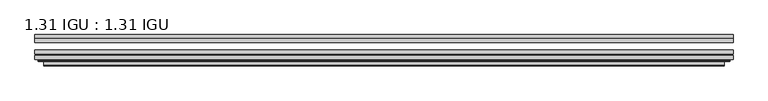
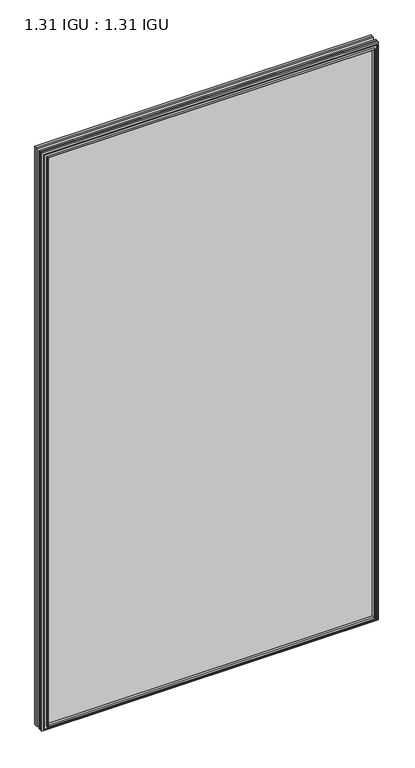
"""IFC4 building model written with IfcOpenShell, lengths in millimetres: plate geometry, 1.31 IGU : 1.31 IGU."""

from ifc_helpers import new_model, si_unit, frame, origin, place, context, project, spatial, polyline, ellipse_curve, outline, extrude, faceted_brep, source, transform, mapped, element, save
from ifc_brep_helpers import plane_surface, cylinder_surface, advanced_brep


def plate_1_31_igu_1_31_igu_b843529e(model_context):
    return source(origin(), model_context, "Body", "SolidModel", [
        extrude(outline(polyline([(553.9060218, -66.4725937), (553.9060218, -72.8225938), (-553.8918469, -72.8225938), (-553.8918469, -66.4725937), (553.9060218, -66.4725937)])), frame((0.0, 0.0, -14.2875), z_axis=(0.0, 0.0, 1.0), x_axis=(1.0, 0.0, 0.0)), (0.0, 0.0, 1.0), 2009.7964726),
        extrude(outline(polyline([(-553.8918469, -81.4585938), (-553.8918469, -75.1080887), (553.9060218, -75.1080887), (553.9060218, -81.4585938), (-553.8918469, -81.4585938)])), frame((0.0, 0.0, -14.2875), z_axis=(0.0, 0.0, 1.0), x_axis=(1.0, 0.0, 0.0)), (0.0, 0.0, 1.0), 2009.7964726),
        extrude(outline(polyline([(553.9060218, -48.1337937), (553.9060218, -54.4837938), (-553.8918469, -54.4837938), (-553.8918469, -48.1337937), (553.9060218, -48.1337937)])), frame((0.0, 0.0, -14.2875), z_axis=(0.0, 0.0, 1.0), x_axis=(1.0, 0.0, 0.0)), (0.0, 0.0, 1.0), 2009.7964726),
        faceted_brep([(-539.5990371, -41.7837938, 1981.2123649), (-538.7066028, -48.1337937, 1980.3199306), (-538.7066028, -48.1337937, 0.8977441), (-539.5990371, -41.7837938, 0.0053098), (-553.9045469, -48.1337937, 1995.5178747), (-553.9045469, -41.7837938, 1995.5178747), (-553.9045469, -41.7837938, -14.3002), (-553.9045469, -48.1337937, -14.3002), (538.7066028, -48.1337937, 0.8977441), (539.5990371, -41.7837938, 0.0053098), (553.9045469, -41.7837938, -14.3002), (553.9045469, -48.1337937, -14.3002), (538.7066028, -48.1337937, 1980.3199306), (539.5990371, -41.7837938, 1981.2123649), (553.9045469, -41.7837938, 1995.5178747), (553.9045469, -48.1337937, 1995.5178747)], [[[0, 1, 2, 3]], [[4, 5, 6, 7]], [[3, 2, 8, 9]], [[7, 6, 10, 11]], [[9, 8, 12, 13]], [[11, 10, 14, 15]], [[7, 11, 15, 4], [1, 12, 8, 2]], [[13, 12, 1, 0]], [[5, 14, 10, 6], [3, 9, 13, 0]], [[15, 14, 5, 4]]]),
        advanced_brep(
        [(-548.0029818, -84.6335938, 1989.6163096), (-549.0047713, -83.4482604, 1990.6180991), (-549.0047713, -83.4482604, -9.4004244), (-548.0029818, -84.6335938, -8.3986349), (-539.5989253, -91.0948368, 1981.2122532), (-539.5989253, -84.6335938, 1981.2122532), (-539.5989253, -84.6335938, 0.0054216), (-539.5989253, -91.0948368, 0.0054216), (-538.6082685, -90.6958619, 1980.2215964), (-538.6082685, -90.6958619, 0.9960783), (-537.5762408, -85.2986307, 1979.1895686), (-537.5762408, -85.2986307, 2.0281061), (-532.641409, -81.4585938, 1974.2547368), (-532.641409, -81.4585938, 6.9629379), (-546.6505659, -81.4585938, 1988.2638938), (-546.6505659, -81.4585938, -7.046219), (549.0047713, -83.4482604, -9.4004244), (548.0029818, -84.6335938, -8.3986349), (539.5989253, -84.6335938, 0.0054216), (539.5989253, -91.0948368, 0.0054216), (538.6082685, -90.6958619, 0.9960783), (537.5762408, -85.2986307, 2.0281061), (532.641409, -81.4585938, 6.9629379), (546.6505659, -81.4585938, -7.046219), (549.0047713, -83.4482604, 1990.6180991), (548.0029818, -84.6335938, 1989.6163096), (539.5989253, -84.6335938, 1981.2122532), (539.5989253, -91.0948368, 1981.2122532), (538.6082685, -90.6958619, 1980.2215964), (537.5762408, -85.2986307, 1979.1895686), (532.641409, -81.4585938, 1974.2547368), (546.6505659, -81.4585938, 1988.2638938)],
        [
            (0, 1, ellipse_curve(frame((-548.0029818, -83.6175938, 1989.6163096), z_axis=(-0.7071067811865475, 0.0, -0.7071067811865475), x_axis=(-0.7071067811865474, 0.0, 0.7071067811865476)), 1.436841, 1.016)),
            (1, 2),
            (2, 3, ellipse_curve(frame((-548.0029818, -83.6175938, -8.3986349), z_axis=(-0.7071067811865475, 0.0, 0.7071067811865475), x_axis=(0.7071067811865474, 0.0, 0.7071067811865476)), 1.436841, 1.016)),
            (3, 0),
            (4, 5),
            (5, 6),
            (6, 7),
            (7, 4),
            (8, 4, ellipse_curve(frame((-539.2319687, -90.5766015, 1980.8452966), z_axis=(-0.7071067811865475, 0.0, -0.7071067811865475), x_axis=(-0.7071067811865474, 0.0, 0.7071067811865476)), 0.8980256, 0.635)),
            (7, 9, ellipse_curve(frame((-539.2319687, -90.5766015, 0.3723781), z_axis=(-0.7071067811865475, 0.0, 0.7071067811865475), x_axis=(0.7071067811865474, 0.0, 0.7071067811865476)), 0.8980256, 0.635)),
            (9, 8),
            (10, 8),
            (9, 11),
            (11, 10),
            (12, 10),
            (11, 13),
            (13, 12),
            (1, 14, ellipse_curve(frame((-546.6505659, -83.8461938, 1988.2638938), z_axis=(-0.7071067811865475, 0.0, -0.7071067811865475), x_axis=(-0.7071067811865474, 0.0, 0.7071067811865476)), 3.3765763, 2.3876)),
            (14, 15),
            (15, 2, ellipse_curve(frame((-546.6505659, -83.8461938, -7.046219), z_axis=(-0.7071067811865475, 0.0, 0.7071067811865475), x_axis=(0.7071067811865474, 0.0, 0.7071067811865476)), 3.3765763, 2.3876)),
            (2, 16),
            (16, 17, ellipse_curve(frame((548.0029818, -83.6175938, -8.3986349), z_axis=(-0.7071067811865475, 0.0, -0.7071067811865475), x_axis=(-0.7071067811865476, 0.0, 0.7071067811865474)), 1.436841, 1.016)),
            (17, 3),
            (6, 18),
            (18, 19),
            (19, 7),
            (19, 20, ellipse_curve(frame((539.2319687, -90.5766015, 0.3723781), z_axis=(-0.7071067811865475, 0.0, -0.7071067811865475), x_axis=(-0.7071067811865476, 0.0, 0.7071067811865474)), 0.8980256, 0.635)),
            (20, 9),
            (20, 21),
            (21, 11),
            (21, 22),
            (22, 13),
            (15, 23),
            (23, 16, ellipse_curve(frame((546.6505659, -83.8461938, -7.046219), z_axis=(-0.7071067811865475, 0.0, -0.7071067811865475), x_axis=(-0.7071067811865476, 0.0, 0.7071067811865474)), 3.3765763, 2.3876)),
            (16, 24),
            (24, 25, ellipse_curve(frame((548.0029818, -83.6175938, 1989.6163096), z_axis=(0.7071067811865475, 0.0, -0.7071067811865475), x_axis=(-0.7071067811865474, 0.0, -0.7071067811865476)), 1.436841, 1.016)),
            (25, 17),
            (18, 26),
            (26, 27),
            (27, 19),
            (27, 28, ellipse_curve(frame((539.2319687, -90.5766015, 1980.8452966), z_axis=(0.7071067811865475, 0.0, -0.7071067811865475), x_axis=(-0.7071067811865474, 0.0, -0.7071067811865476)), 0.8980256, 0.635)),
            (28, 20),
            (28, 29),
            (29, 21),
            (29, 30),
            (30, 22),
            (23, 31),
            (31, 24, ellipse_curve(frame((546.6505659, -83.8461938, 1988.2638938), z_axis=(0.7071067811865475, 0.0, -0.7071067811865475), x_axis=(-0.7071067811865474, 0.0, -0.7071067811865476)), 3.3765763, 2.3876)),
            (24, 1),
            (0, 25),
            (5, 26),
            (4, 27),
            (8, 28),
            (10, 29),
            (12, 30),
            (14, 31),
        ],
        [
            cylinder_surface(frame((-548.0029818, -83.6175938, 2012.9676747), z_axis=(0.0, 0.0, 1.0), x_axis=(-1.0, 0.0, 0.0)), 1.016),
            plane_surface(frame((-539.5989253, -84.6335938, 1981.2122532), z_axis=(-1.0, 0.0, 0.0), x_axis=(0.0, 0.0, -1.0))),
            cylinder_surface(frame((-539.2319687, -90.5766015, 2012.9676747), z_axis=(0.0, 0.0, 1.0), x_axis=(-1.0, 0.0, 0.0)), 0.635),
            plane_surface(frame((-538.6082685, -90.6958619, 1980.2215964), z_axis=(0.9822050625507717, -0.1878116479338675, 0.0), x_axis=(0.0, 0.0, -1.0))),
            plane_surface(frame((-537.5762408, -85.2986307, 1979.1895686), z_axis=(0.6141233906514726, -0.7892100234124875, 0.0), x_axis=(0.0, 0.0, -1.0))),
            cylinder_surface(frame((-546.6505659, -83.8461938, 2012.9676747), z_axis=(0.0, 0.0, 1.0), x_axis=(-1.0, 0.0, 0.0)), 2.3876),
            cylinder_surface(frame((-571.3543469, -83.6175938, -8.3986349), z_axis=(-1.0, 0.0, 0.0), x_axis=(0.0, 0.0, -1.0)), 1.016),
            plane_surface(frame((-539.5989253, -84.6335938, 0.0054216), z_axis=(0.0, 0.0, -1.0), x_axis=(1.0, 0.0, 0.0))),
            cylinder_surface(frame((-571.3543469, -90.5766015, 0.3723781), z_axis=(-1.0, 0.0, 0.0), x_axis=(0.0, 0.0, -1.0)), 0.635),
            plane_surface(frame((-538.6082685, -90.6958619, 0.9960783), z_axis=(0.0, -0.18781164793386435, 0.9822050625507722), x_axis=(1.0, 0.0, 0.0))),
            plane_surface(frame((-537.5762408, -85.2986307, 2.0281061), z_axis=(0.0, -0.7892100234124855, 0.6141233906514751), x_axis=(1.0, 0.0, 0.0))),
            cylinder_surface(frame((-571.3543469, -83.8461938, -7.046219), z_axis=(-1.0, 0.0, 0.0), x_axis=(0.0, 0.0, -1.0)), 2.3876),
            cylinder_surface(frame((548.0029818, -83.6175938, -31.75), z_axis=(0.0, 0.0, -1.0), x_axis=(1.0, 0.0, 0.0)), 1.016),
            plane_surface(frame((539.5989253, -84.6335938, 0.0054216), z_axis=(1.0, 0.0, 0.0), x_axis=(0.0, 0.0, 1.0))),
            cylinder_surface(frame((539.2319687, -90.5766015, -31.75), z_axis=(0.0, 0.0, -1.0), x_axis=(1.0, 0.0, 0.0)), 0.635),
            plane_surface(frame((538.6082685, -90.6958619, 0.9960783), z_axis=(-0.9822050625507728, -0.18781164793386118, 0.0), x_axis=(0.0, 0.0, 1.0))),
            plane_surface(frame((537.5762408, -85.2986307, 2.0281061), z_axis=(-0.6141233906514777, -0.7892100234124835, 0.0), x_axis=(0.0, 0.0, 1.0))),
            cylinder_surface(frame((546.6505659, -83.8461938, -31.75), z_axis=(0.0, 0.0, -1.0), x_axis=(1.0, 0.0, 0.0)), 2.3876),
            cylinder_surface(frame((571.3543469, -83.6175938, 1989.6163096), z_axis=(1.0, 0.0, 0.0), x_axis=(0.0, 0.0, 1.0)), 1.016),
            plane_surface(frame((548.0029818, -84.6335938, 1989.6163096), z_axis=(0.0, -1.0, 0.0), x_axis=(-1.0, 0.0, 0.0))),
            plane_surface(frame((539.5989253, -84.6335938, 1981.2122532), z_axis=(0.0, 0.0, 1.0), x_axis=(-1.0, 0.0, 0.0))),
            cylinder_surface(frame((571.3543469, -90.5766015, 1980.8452966), z_axis=(1.0, 0.0, 0.0), x_axis=(0.0, 0.0, 1.0)), 0.635),
            plane_surface(frame((538.6082685, -90.6958619, 1980.2215964), z_axis=(0.0, -0.18781164793386435, -0.9822050625507722), x_axis=(-1.0, 0.0, 0.0))),
            plane_surface(frame((537.5762408, -85.2986307, 1979.1895686), z_axis=(0.0, -0.7892100234124855, -0.6141233906514751), x_axis=(-1.0, 0.0, 0.0))),
            plane_surface(frame((532.641409, -81.4585938, 1974.2547368), z_axis=(0.0, 1.0, 0.0), x_axis=(-1.0, 0.0, 0.0))),
            cylinder_surface(frame((571.3543469, -83.8461938, 1988.2638938), z_axis=(1.0, 0.0, 0.0), x_axis=(0.0, 0.0, 1.0)), 2.3876),
        ],
        [
            (0, [[1, 2, 3, 4]]),
            (1, [[5, 6, 7, 8]]),
            (2, [[9, -8, 10, 11]]),
            (3, [[12, -11, 13, 14]]),
            (4, [[15, -14, 16, 17]]),
            (5, [[18, 19, 20, -2]]),
            (6, [[-3, 21, 22, 23]]),
            (7, [[-7, 24, 25, 26]]),
            (8, [[-10, -26, 27, 28]]),
            (9, [[-13, -28, 29, 30]]),
            (10, [[-16, -30, 31, 32]]),
            (11, [[-20, 33, 34, -21]]),
            (12, [[-22, 35, 36, 37]]),
            (13, [[-25, 38, 39, 40]]),
            (14, [[-27, -40, 41, 42]]),
            (15, [[-29, -42, 43, 44]]),
            (16, [[-31, -44, 45, 46]]),
            (17, [[-34, 47, 48, -35]]),
            (18, [[-36, 49, -1, 50]]),
            (19, [[-23, -37, -50, -4], [51, -38, -24, -6]]),
            (20, [[-39, -51, -5, 52]]),
            (21, [[-41, -52, -9, 53]]),
            (22, [[-43, -53, -12, 54]]),
            (23, [[-45, -54, -15, 55]]),
            (24, [[56, -47, -33, -19], [-32, -46, -55, -17]]),
            (25, [[-48, -56, -18, -49]]),
        ],
    ),
    ])


if __name__ == "__main__":
    model = new_model("IFC4")
    model_context = context("Model", 3, world=origin())
    ifc_project = project(units=[si_unit("LENGTHUNIT", "METRE", prefix="MILLI")], contexts=[model_context])
    site = spatial("IfcSite", under=ifc_project)
    building = spatial("IfcBuilding", under=site)
    placement = place(None, origin())
    plate_1_31_igu_1_31_igu_shape = plate_1_31_igu_1_31_igu_b843529e(model_context)
    element("IfcPlate", 1, ObjectType="1.31 IGU : 1.31 IGU", at=placement, inside=building, context=model_context, shape_type="MappedRepresentation", body=[
        mapped(plate_1_31_igu_1_31_igu_shape, transform((0.0, 0.0, 0.0), x_axis=(1.0, 0.0, 0.0), y_axis=(0.0, 1.0, 0.0), z_axis=(0.0, 0.0, 1.0))),
    ])
    save(model, "model.ifc")
